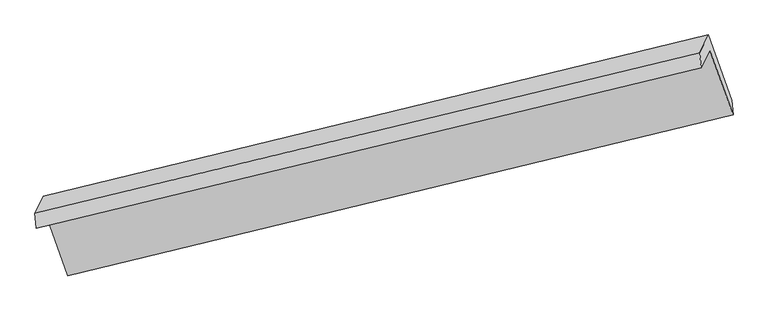
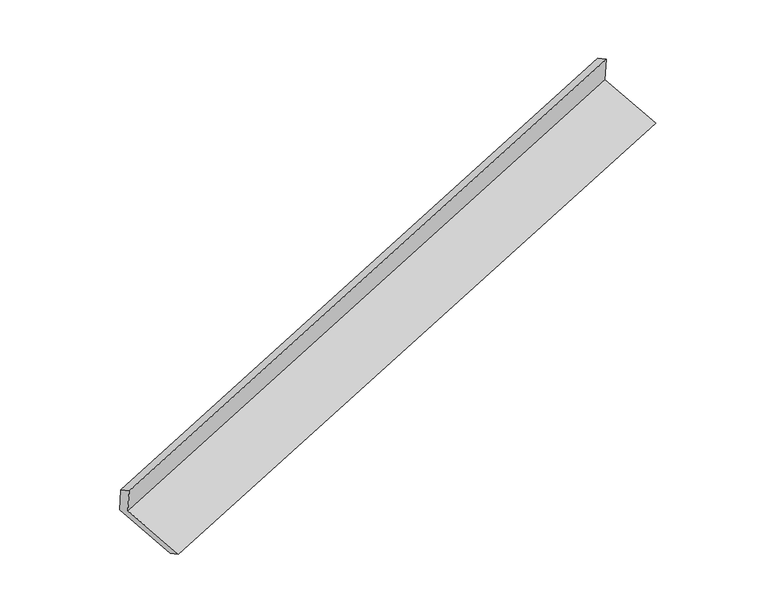
"""IFC4 building model written with IfcOpenShell, lengths in millimetres: proxy geometry."""

from ifc_helpers import new_model, si_unit, origin, place, context, project, spatial, faceted_brep, source, transform, mapped, element, save


def generic_models_06292862(model_context):
    return source(origin(), model_context, "Body", "Brep", [
        faceted_brep([(-6041.5065097, -2223.640089, 1272.3162131), (-5963.5937777, -2064.5052589, 917.5336185), (161.6324001, -580.4469239, 2911.5716299), (81.7549854, -743.59457, 3275.3005829), (-6052.6814803, -2083.6699861, 1203.6034445), (70.5800147, -603.624467, 3206.5878143), (-5975.2618188, -1925.5422402, 851.0660904), (149.9643589, -441.4839052, 2845.1041017), (-5758.4208428, -2525.3112251, 629.6644098), (366.8053349, -1041.2528902, 2623.7024211), (-5748.3650023, -2659.8149948, 697.7780471), (376.8611755, -1175.7566599, 2691.8160584)], [[[0, 1, 2, 3]], [[4, 0, 3, 5]], [[6, 4, 5, 7]], [[8, 6, 7, 9]], [[10, 8, 9, 11]], [[1, 10, 11, 2]], [[9, 7, 5, 3, 2, 11]], [[1, 0, 4, 6, 8, 10]]]),
    ])


if __name__ == "__main__":
    model = new_model("IFC4")
    model_context = context("Model", 3, world=origin())
    ifc_project = project(units=[si_unit("LENGTHUNIT", "METRE", prefix="MILLI")], contexts=[model_context])
    site = spatial("IfcSite", under=ifc_project)
    building = spatial("IfcBuilding", under=site)
    placement = place(None, origin())
    generic_models_shape = generic_models_06292862(model_context)
    element("IfcBuildingElementProxy", 1, Name="Generic Models", at=placement, inside=building, context=model_context, shape_type="MappedRepresentation", body=[
        mapped(generic_models_shape, transform((0.0, 0.0, 0.0), x_axis=(1.0, 0.0, 0.0), y_axis=(0.0, 1.0, 0.0), z_axis=(0.0, 0.0, 1.0))),
    ])
    save(model, "model.ifc")
